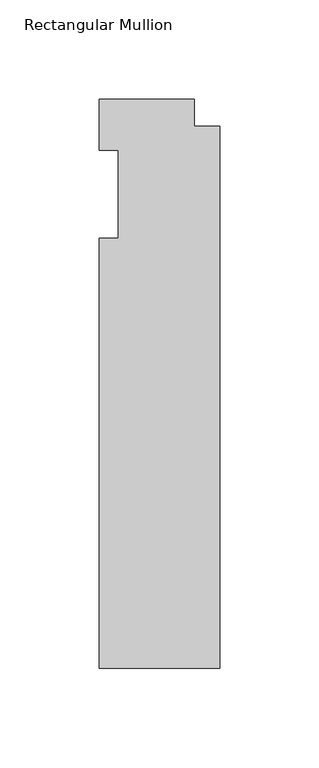
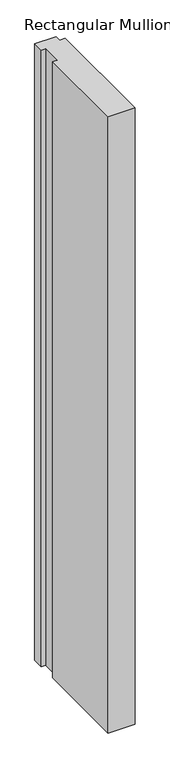
"""IFC4 building model written with IfcOpenShell, lengths in millimetres: member geometry, Rectangular Mullion."""

from ifc_helpers import new_model, si_unit, frame, origin, place, context, project, spatial, polyline, outline, extrude, source, transform, mapped, element, save


def rectangular_mullion_678a62db(model_context):
    return source(origin(), model_context, "Body", "SweptSolid", [
        extrude(outline(polyline([(-60.325, -22.225), (-50.8, -22.225), (-50.8, 22.225), (-60.325, 22.225), (-60.325, 47.625), (-12.7, 47.625), (-12.7, 34.13125), (0.0, 34.13125), (0.0, -238.125), (-60.325, -238.125), (-60.325, -22.225)])), frame((0.0, 0.0, -1463.675), z_axis=(0.0, 0.0, 1.0), x_axis=(1.0, 0.0, 0.0)), (0.0, 0.0, 1.0), 1463.675),
    ])


if __name__ == "__main__":
    model = new_model("IFC4")
    model_context = context("Model", 3, world=origin())
    ifc_project = project(units=[si_unit("LENGTHUNIT", "METRE", prefix="MILLI")], contexts=[model_context])
    site = spatial("IfcSite", under=ifc_project)
    building = spatial("IfcBuilding", under=site)
    placement = place(None, origin())
    rectangular_mullion_shape = rectangular_mullion_678a62db(model_context)
    element("IfcMember", 1, ObjectType="Rectangular Mullion", at=placement, inside=building, context=model_context, shape_type="MappedRepresentation", body=[
        mapped(rectangular_mullion_shape, transform((0.0, 0.0, 0.0), x_axis=(1.0, 0.0, 0.0), y_axis=(0.0, 1.0, 0.0), z_axis=(0.0, 0.0, 1.0))),
    ])
    save(model, "model.ifc")
